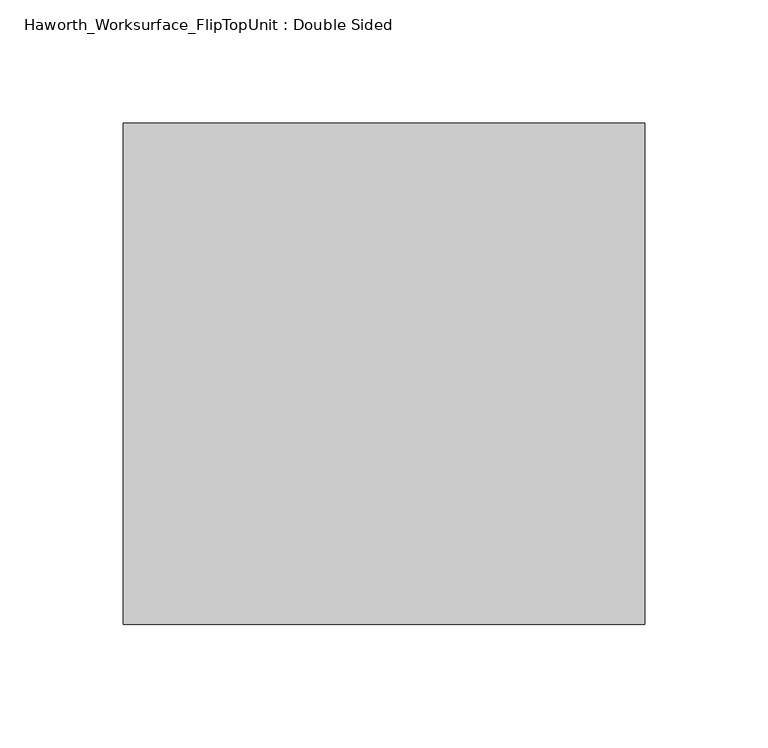
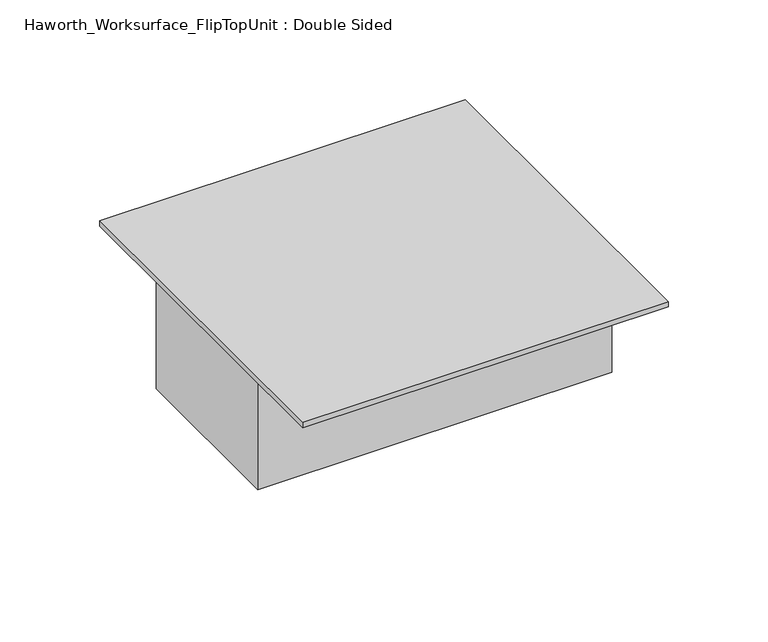
"""IFC4 building model written with IfcOpenShell, lengths in millimetres: furniture geometry, Haworth_Worksurface_FlipTopUnit : Double Sided."""

import ifcopenshell
import ifcopenshell.guid

model = None  # the IFC model being written
_history = None  # IfcOwnerHistory: only IFC2X3 demands one
_inside = {}  # id of a spatial element -> (the spatial element, [elements in it])
_under = {}  # id of a project, library or spatial element -> (it, [spatial elements below it])
_declared = {}  # id of a project -> (the project, [libraries it declares])
_typed = {}  # id of a type object -> (the type object, [elements of that type])
_made_of = {}  # id of a material, layer set ... -> (it, [elements and type objects made of it])


def new_model(schema):
    """Start an empty IFC model of exactly this schema.

    Asked for "IFC4X3", IfcOpenShell would pick the latest addendum, in which some entities
    have other attributes; the version numbers below select the first issue.
    IFC2X3 requires an IfcOwnerHistory on every rooted entity: one is made here for all.
    """
    global model, _history
    if schema == "IFC4X3":
        model = ifcopenshell.file(schema_version=(4, 3, 0, 0))
    else:
        model = ifcopenshell.file(schema=schema)
    _inside.clear()
    _under.clear()
    _declared.clear()
    _typed.clear()
    _made_of.clear()
    _history = None
    if model.schema == "IFC2X3":
        org = make("IfcOrganization", Name="unknown")
        user = make(
            "IfcPersonAndOrganization",
            ThePerson=make("IfcPerson", FamilyName="unknown"),
            TheOrganization=org,
        )
        app = make(
            "IfcApplication",
            ApplicationDeveloper=org,
            Version="unknown",
            ApplicationFullName="unknown",
            ApplicationIdentifier="unknown",
        )
        _history = make(
            "IfcOwnerHistory",
            OwningUser=user,
            OwningApplication=app,
            ChangeAction="ADDED",
            CreationDate=0,
        )
    return model


def make(cls, **values):
    """One entity of the class cls with the attributes given. An attribute that is None is left unset."""
    return model.create_entity(
        cls, **{name: value for name, value in values.items() if value is not None}
    )


def rooted(cls, **values):
    """An entity with a GlobalId (a new one), such as an element, a storey or a relation."""
    return make(cls, GlobalId=ifcopenshell.guid.new(), OwnerHistory=_history, **values)


def si_unit(unit_type, name, prefix=None):
    """IfcSIUnit, for example si_unit("LENGTHUNIT", "METRE", prefix="MILLI")."""
    return make("IfcSIUnit", UnitType=unit_type, Prefix=prefix, Name=name)


def assignment(units):
    """IfcUnitAssignment: the units of a project."""
    return None if units is None else make("IfcUnitAssignment", Units=units)


def point(xyz):
    """IfcCartesianPoint."""
    return None if xyz is None else make("IfcCartesianPoint", Coordinates=xyz)


def direction(xyz):
    """IfcDirection."""
    return None if xyz is None else make("IfcDirection", DirectionRatios=xyz)


def frame(location, z_axis=None, x_axis=None):
    """IfcAxis2Placement3D, a coordinate frame: its origin and axes. An axis left out is left unset."""
    return make(
        "IfcAxis2Placement3D",
        Location=point(location),
        Axis=direction(z_axis),
        RefDirection=direction(x_axis),
    )


def origin():
    """The frame at (0, 0, 0) with its axes left unset."""
    return frame((0.0, 0.0, 0.0))


def place(relative_to, where):
    """IfcLocalPlacement: puts the frame where relative to a parent placement (None: the world)."""
    return make(
        "IfcLocalPlacement", PlacementRelTo=relative_to, RelativePlacement=where
    )


def context(
    kind, dimensions, precision=None, world=None, true_north=None, identifier=None
):
    """IfcGeometricRepresentationContext, for example the 3D "Model" context."""
    return make(
        "IfcGeometricRepresentationContext",
        ContextIdentifier=identifier,
        ContextType=kind,
        CoordinateSpaceDimension=dimensions,
        Precision=precision,
        WorldCoordinateSystem=world,
        TrueNorth=true_north,
    )


def project(units=None, contexts=None):
    """IfcProject with its units and contexts."""
    return rooted(
        "IfcProject",
        Name="project",
        RepresentationContexts=contexts,
        UnitsInContext=assignment(units),
    )


def spatial(cls, under=None, at=None, **own):
    """A site, building, storey or space (cls), placed at a placement, below another one or the project."""
    s = rooted(cls, ObjectPlacement=at, **own)
    if under is not None:
        _under.setdefault(under.id(), (under, []))[1].append(s)
    return s


def faces_of(points, faces, orient=None, outer=None):
    """IfcFace entities. A face is a list of loops; a loop is a list of indices into points, from 0.

    orient and outer hold one flag for each loop. By default every Orientation is true, the
    first loop of a face is its IfcFaceOuterBound and the others are IfcFaceBound.
    """
    made = []
    for i, loops in enumerate(faces):
        bounds = []
        for j, loop in enumerate(loops):
            is_outer = j == 0 if outer is None else outer[i][j]
            bounds.append(
                make(
                    "IfcFaceOuterBound" if is_outer else "IfcFaceBound",
                    Bound=make("IfcPolyLoop", Polygon=[points[k] for k in loop]),
                    Orientation=True if orient is None else orient[i][j],
                )
            )
        made.append(make("IfcFace", Bounds=bounds))
    return made


def faceted_brep(points, faces, orient=None, outer=None, voids=None):
    """IfcFacetedBrep: a solid bounded by flat faces; with voids (closed shells), ...WithVoids."""
    shared = [point(p) for p in points]
    hull = make("IfcClosedShell", CfsFaces=faces_of(shared, faces, orient, outer))
    if voids is None:
        return make("IfcFacetedBrep", Outer=hull)
    return make(
        "IfcFacetedBrepWithVoids",
        Outer=hull,
        Voids=[
            make(cls, CfsFaces=faces_of(shared, fs, o, b)) for cls, fs, o, b in voids
        ],
    )


def shape(context_of_items, identifier, shape_type, items):
    """IfcShapeRepresentation: the items that make up one representation, for example the "Body"."""
    return make(
        "IfcShapeRepresentation",
        ContextOfItems=context_of_items,
        RepresentationIdentifier=identifier,
        RepresentationType=shape_type,
        Items=items,
    )


def source(mapping_origin, context_of_items, identifier, shape_type, items):
    """IfcRepresentationMap: a shape defined once, which mapped items show again and again."""
    return make(
        "IfcRepresentationMap",
        MappingOrigin=mapping_origin,
        MappedRepresentation=shape(context_of_items, identifier, shape_type, items),
    )


def transform(
    local_origin,
    x_axis=None,
    y_axis=None,
    z_axis=None,
    scale=None,
    scale2=None,
    scale3=None,
    uniform=True,
):
    """IfcCartesianTransformationOperator3D, or its non-uniform kind. x_axis, y_axis, z_axis: its Axis1, 2, 3."""
    if uniform:
        return make(
            "IfcCartesianTransformationOperator3D",
            Axis1=direction(x_axis),
            Axis2=direction(y_axis),
            LocalOrigin=point(local_origin),
            Scale=scale,
            Axis3=direction(z_axis),
        )
    return make(
        "IfcCartesianTransformationOperator3DnonUniform",
        Axis1=direction(x_axis),
        Axis2=direction(y_axis),
        LocalOrigin=point(local_origin),
        Scale=scale,
        Axis3=direction(z_axis),
        Scale2=scale2,
        Scale3=scale3,
    )


def mapped(mapping_source, mapping_target):
    """IfcMappedItem: shows the shape of a source again, moved by a transform."""
    return make(
        "IfcMappedItem", MappingSource=mapping_source, MappingTarget=mapping_target
    )


def made_of(thing, what):
    """Note that an element or type object is made of a material, layer set ...; save() writes the relation."""
    if what is not None:
        _made_of.setdefault(what.id(), (what, []))[1].append(thing)
    return thing


def element(
    cls,
    number,
    at=None,
    inside=None,
    cuts=None,
    type_object=None,
    material=None,
    context=None,
    identifier="Body",
    shape_type=None,
    held_by="IfcProductDefinitionShape",
    body=None,
    shapes=None,
    **own,
):
    """One element of the class cls, such as IfcWall. Its Tag is "e" and its number.

    at: its placement. inside: the storey or other place that contains it. cuts: it is an
    opening in that element (IfcRelVoidsElement). A single representation is given by context,
    identifier, shape_type and body (its items); several are given by shapes. held_by: the class
    of the entity that holds the representations. save() writes the other relations.
    """
    e = rooted(cls, Tag="e%d" % number, ObjectPlacement=at, **own)
    if body is not None:
        shapes = [shape(context, identifier, shape_type, body)]
    if shapes is not None:
        e.Representation = make(held_by, Representations=shapes)
    if inside is not None:
        _inside.setdefault(inside.id(), (inside, []))[1].append(e)
    if cuts is not None:
        rooted(
            "IfcRelVoidsElement", RelatingBuildingElement=cuts, RelatedOpeningElement=e
        )
    if type_object is not None:
        _typed.setdefault(type_object.id(), (type_object, []))[1].append(e)
    return made_of(e, material)


def aggregate(whole, parts):
    """IfcRelAggregates: a whole, such as a stair, and the parts it consists of."""
    return rooted("IfcRelAggregates", RelatingObject=whole, RelatedObjects=parts)


def save(model, path):
    """Write the relations noted so far, then the file.

    IfcRelAggregates (storeys below a building ...), IfcRelContainedInSpatialStructure (elements
    in a storey), IfcRelDefinesByType, IfcRelAssociatesMaterial and IfcRelDeclares: one each for
    every whole, place, type object, material and project.
    """
    for whole, parts in _under.values():
        aggregate(whole, parts)
    for where, things in _inside.values():
        rooted(
            "IfcRelContainedInSpatialStructure",
            RelatedElements=things,
            RelatingStructure=where,
        )
    for kind, things in _typed.values():
        rooted("IfcRelDefinesByType", RelatedObjects=things, RelatingType=kind)
    for what, things in _made_of.values():
        rooted("IfcRelAssociatesMaterial", RelatedObjects=things, RelatingMaterial=what)
    for by, libraries in _declared.values():
        rooted("IfcRelDeclares", RelatingContext=by, RelatedDefinitions=libraries)
    model.write(path)


def haworth_worksurface_fliptopunit_double_sided_b2090bec(model_context):
    return source(origin(), model_context, "Body", "Brep", [
        faceted_brep([(120.0561699, 102.9331298, 3.175), (-91.0813301, 102.9331298, 3.175), (-91.0813301, -100.2668702, 3.175), (120.0561699, -100.2668702, 3.175), (120.0561699, 102.9331298, 0.0), (120.0561699, -100.2668702, 0.0), (-91.0813301, -100.2668702, 0.0), (-91.0813301, 102.9331298, 0.0), (116.8811699, 52.1331298, 0.0), (-87.9063301, 52.1331298, 0.0), (-87.9063301, -49.4668702, 0.0), (116.8811699, -49.4668702, 0.0), (116.8811699, 52.1331298, -69.85), (116.8811699, -49.4668702, -69.85), (-87.9063301, -49.4668702, -69.85), (-87.9063301, 52.1331298, -69.85)], [[[0, 1, 2, 3]], [[4, 5, 6, 7], [8, 9, 10, 11]], [[1, 0, 4, 7]], [[2, 1, 7, 6]], [[3, 2, 6, 5]], [[0, 3, 5, 4]], [[12, 13, 14, 15]], [[12, 15, 9, 8]], [[15, 14, 10, 9]], [[14, 13, 11, 10]], [[13, 12, 8, 11]]]),
    ])


if __name__ == "__main__":
    model = new_model("IFC4")
    model_context = context("Model", 3, world=origin())
    ifc_project = project(units=[si_unit("LENGTHUNIT", "METRE", prefix="MILLI")], contexts=[model_context])
    site = spatial("IfcSite", under=ifc_project)
    building = spatial("IfcBuilding", under=site)
    placement = place(None, origin())
    haworth_worksurface_fliptopunit_double_sided_shape = haworth_worksurface_fliptopunit_double_sided_b2090bec(model_context)
    element("IfcFurniture", 1, ObjectType="Haworth_Worksurface_FlipTopUnit : Double Sided", at=placement, inside=building, context=model_context, shape_type="MappedRepresentation", body=[
        mapped(haworth_worksurface_fliptopunit_double_sided_shape, transform((0.0, 0.0, 0.0), x_axis=(1.0, 0.0, 0.0), y_axis=(0.0, 1.0, 0.0), z_axis=(0.0, 0.0, 1.0))),
    ])
    save(model, "model.ifc")
